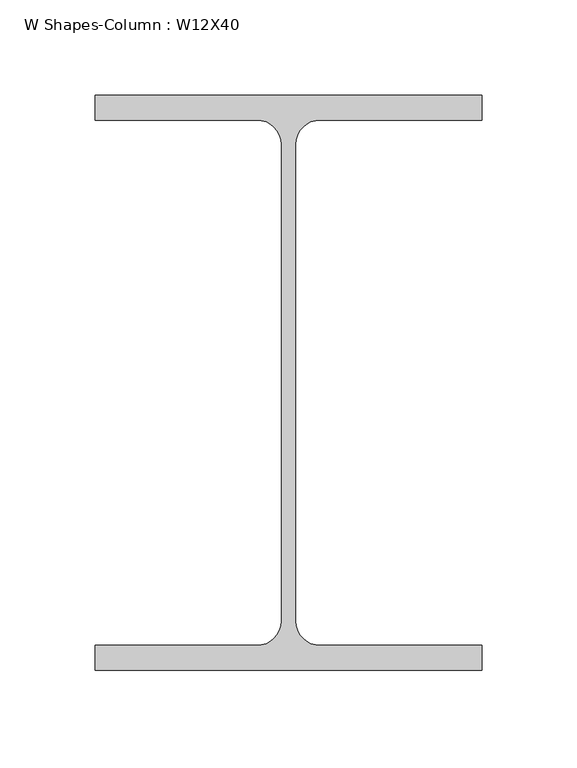
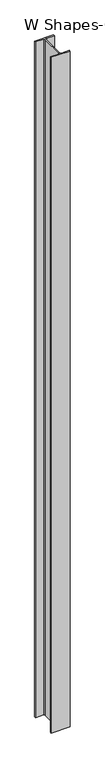
"""IFC4 building model written with IfcOpenShell, lengths in millimetres: column geometry, W Shapes-Column : W12X40."""

from ifc_helpers import new_model, si_unit, point, frame_2d, origin, origin_with_axes, place, context, project, spatial, polyline, circle_curve, trimmed, segment, composite_curve, outline, extrude, source, transform, mapped, element, save


def w_shapes_column_w12x40_58104528(model_context):
    return source(origin(), model_context, "Body", "SweptSolid", [
        extrude(outline(composite_curve([segment(polyline([(101.727, 151.13), (101.727, 138.049), (16.5735, 138.049)]), True, "CONTINUOUS"), segment(trimmed(circle_curve(frame_2d((16.5735, 125.222)), 12.827), [point((16.5735, 138.049))], [point((3.7465, 125.222))], True, "CARTESIAN"), True, "CONTINUOUS"), segment(polyline([(3.7465, 125.222), (3.7465, -125.222)]), True, "CONTINUOUS"), segment(trimmed(circle_curve(frame_2d((16.5735, -125.222)), 12.827), [point((3.7465, -125.222))], [point((16.5735, -138.049))], True, "CARTESIAN"), True, "CONTINUOUS"), segment(polyline([(16.5735, -138.049), (101.727, -138.049), (101.727, -151.13), (-101.727, -151.13), (-101.727, -138.049), (-16.5735, -138.049)]), True, "CONTINUOUS"), segment(trimmed(circle_curve(frame_2d((-16.5735, -125.222)), 12.827), [point((-16.5735, -138.049))], [point((-3.7465, -125.222))], True, "CARTESIAN"), True, "CONTINUOUS"), segment(polyline([(-3.7465, -125.222), (-3.7465, 125.222)]), True, "CONTINUOUS"), segment(trimmed(circle_curve(frame_2d((-16.5735, 125.222)), 12.827), [point((-3.7465, 125.222))], [point((-16.5735, 138.049))], True, "CARTESIAN"), True, "CONTINUOUS"), segment(polyline([(-16.5735, 138.049), (-101.727, 138.049), (-101.727, 151.13), (101.727, 151.13)]), True, "CONTINUOUS")], self_intersect=False)), origin_with_axes(), (0.0, 0.0, 1.0), 7620.0),
    ])


if __name__ == "__main__":
    model = new_model("IFC4")
    model_context = context("Model", 3, world=origin())
    ifc_project = project(units=[si_unit("LENGTHUNIT", "METRE", prefix="MILLI")], contexts=[model_context])
    site = spatial("IfcSite", under=ifc_project)
    building = spatial("IfcBuilding", under=site)
    placement = place(None, origin())
    w_shapes_column_w12x40_shape = w_shapes_column_w12x40_58104528(model_context)
    element("IfcColumn", 1, ObjectType="W Shapes-Column : W12X40", at=placement, inside=building, context=model_context, shape_type="MappedRepresentation", body=[
        mapped(w_shapes_column_w12x40_shape, transform((0.0, 0.0, 0.0), x_axis=(1.0, 0.0, 0.0), y_axis=(0.0, 1.0, 0.0), z_axis=(0.0, 0.0, 1.0))),
    ])
    save(model, "model.ifc")
